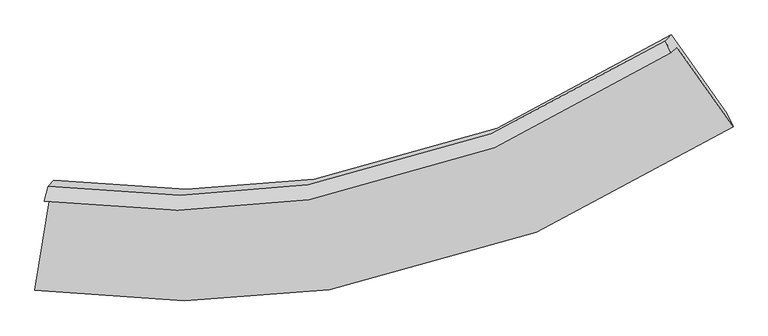
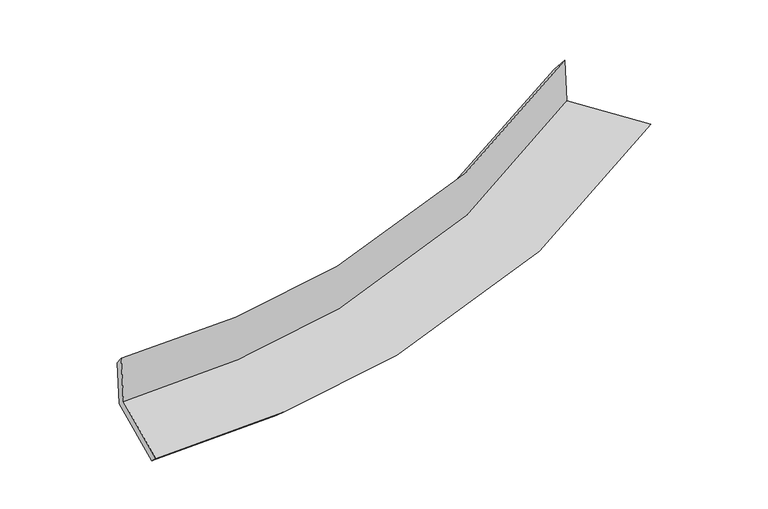
"""IFC4 building model written with IfcOpenShell, lengths in millimetres: proxy geometry."""

from ifc_helpers import new_model, si_unit, frame, origin, place, context, project, spatial, source, transform, mapped, element, save
from ifc_brep_helpers import plane_surface, spline_curve, spline_surface, advanced_brep


def generic_models_ddd9b2ce(model_context):
    return source(origin(), model_context, "Body", "AdvancedBrep", [
        advanced_brep(
        [(-2082.4068686, -1825.682412, 1654.9153136), (-2188.3144458, -2480.5651799, 1580.6653674), (2628.5563062, -1350.0096365, 2186.0265552), (2240.3746468, -802.4020069, 2199.6785799), (-2125.5836872, -1866.8840539, 2079.8987536), (2199.9314055, -840.9951224, 2597.7557979), (-2097.935399, -1761.314655, 1967.4253574), (2160.8435846, -757.012669, 2479.5228385), (-2056.9117283, -1722.1676625, 1563.6350536), (2201.5380164, -718.1798541, 2078.9731876), (-2162.4334068, -2374.6642138, 1489.6556542), (2585.1396714, -1259.3264742, 2065.4822379)],
        [
            (0, 1),
            (1, 2, spline_curve(3, [(-2188.3144458, -2480.5651799, 1580.6653674), (-1490.100594924, -2579.888398383, 1640.176055159), (-812.658868169, -2578.088271394, 1708.448334069), (817.879057561, -2322.52501033, 1899.726636524), (1746.060914888, -1947.473289318, 2033.241419972), (2628.5563062, -1350.0096365, 2186.0265552)], [4, 2, 4], [0.0, 6.3616075260719525, 15.796135990525983])),
            (2, 3),
            (3, 0, spline_curve(3, [(2240.3746468, -802.4020069, 2199.6785799), (1449.269129749, -1338.39245162, 2062.138088489), (616.644908841, -1675.930893494, 1941.968491528), (-846.923786172, -1908.80191738, 1769.853660034), (-1455.226737114, -1912.356943996, 1708.435501177), (-2082.4068686, -1825.682412, 1654.9153136)], [4, 2, 4], [0.0, 9.43452846445403, 15.796135990525983])),
            (4, 0),
            (3, 5),
            (5, 4, spline_curve(3, [(2199.9314055, -840.9951224, 2597.7557979), (1408.415021091, -1377.377638917, 2464.259416543), (575.300281894, -1715.384159622, 2348.917923439), (-889.223041757, -1949.166141673, 2186.199369915), (-1497.94666693, -1953.12259807, 2128.921848262), (-2125.5836872, -1866.8840539, 2079.8987536)], [4, 2, 4], [0.0, 8.967287011596657, 15.013838331713087])),
            (6, 4),
            (5, 7),
            (7, 6, spline_curve(3, [(2160.8435846, -757.012669, 2479.5228385), (1380.279302725, -1284.209387724, 2350.60932044), (559.510897491, -1615.949597156, 2237.798360792), (-882.00673589, -1844.12802309, 2075.880458148), (-1480.831325202, -1847.155142566, 2017.99225751), (-2097.935399, -1761.314655, 1967.4253574)], [4, 2, 4], [0.0, 8.897013611942896, 14.896180286413882])),
            (8, 6),
            (7, 9),
            (9, 8, spline_curve(3, [(2201.5380164, -718.1798541, 2078.9731876), (1421.80097884, -1244.587171975, 1941.917217658), (601.404881164, -1575.972105215, 1825.441687946), (-840.251098247, -1804.282548476, 1664.885504968), (-1439.338248652, -1807.56021772, 1609.581656741), (-2056.9117283, -1722.1676625, 1563.6350536)], [4, 2, 4], [0.0, 8.826698808177737, 14.77845291862795])),
            (10, 8),
            (9, 11),
            (11, 10, spline_curve(3, [(2585.1396714, -1259.3264742, 2065.4822379), (1713.957133762, -1835.87235039, 1914.274853778), (798.571491488, -2200.690270754, 1784.907432811), (-808.058283836, -2457.007256586, 1604.875292632), (-1475.197000892, -2463.968582796, 1542.300519324), (-2162.4334068, -2374.6642138, 1489.6556542)], [4, 2, 4], [0.0, 9.285511096325882, 15.546637711860424])),
            (1, 10),
            (11, 2),
        ],
        [
            spline_surface(3, 3, [[(-2082.4068686, -1825.682412, 1654.9153136), (-1455.226737035, -1912.356944015, 1708.435501278), (-846.923786113, -1908.801917445, 1769.85365993), (616.644908753, -1675.930893398, 1941.968491683), (1449.269129604, -1338.392451625, 2062.138088479), (2240.3746468, -802.4020069, 2199.6785799)], [(-2117.70939434, -2043.97666797, 1630.165331524), (-1466.851356313, -2134.867428809, 1685.682352586), (-835.502146811, -2131.897368764, 1749.38521801), (683.722958376, -1891.462265653, 1927.887873266), (1548.199724714, -1541.419397545, 2052.505865683), (2369.768533265, -984.937883439, 2195.127905004)], [(-2153.01192006, -2262.27092393, 1605.415349476), (-1478.475975572, -2357.377913593, 1662.92920392), (-824.080507511, -2354.992820145, 1728.916776066), (750.801007997, -2106.99363797, 1913.807254825), (1647.130319831, -1744.446343448, 2042.873642875), (2499.162419735, -1167.473759961, 2190.577230096)], [(-2188.3144458, -2480.5651799, 1580.6653674), (-1490.10059485, -2579.888398387, 1640.176055228), (-812.658868209, -2578.088271464, 1708.448334146), (817.879057619, -2322.525010225, 1899.726636409), (1746.060914941, -1947.473289367, 2033.24142008), (2628.5563062, -1350.0096365, 2186.0265552)]], [4, 4], [4, 2, 4], [0.0, 2.199328745357935], [0.0, 6.3616075260719525, 15.796135990525983]),
            spline_surface(3, 3, [[(-2125.5836872, -1866.8840539, 2079.8987536), (-1497.946666853, -1953.122598071, 2128.921848329), (-889.223041742, -1949.166141705, 2186.199369994), (575.300281871, -1715.384159576, 2348.917923322), (1408.415020998, -1377.377638801, 2464.259416413), (2199.9314055, -840.9951224, 2597.7557979)], [(-2111.191414354, -1853.150173252, 1938.237606955), (-1483.706690267, -1939.534046704, 1988.759732667), (-875.123289858, -1935.711400288, 2047.417466634), (589.081824173, -1702.233070853, 2213.268112771), (1422.033057196, -1364.382576394, 2330.218973777), (2213.412485929, -828.130750552, 2465.063391909)], [(-2096.799141446, -1839.416292648, 1796.576460245), (-1469.46671362, -1925.945495381, 1848.59761694), (-861.023537997, -1922.256658861, 1908.635563289), (602.863366452, -1689.08198212, 2077.618302234), (1435.651093406, -1351.387514031, 2196.178531114), (2226.893566371, -815.266378748, 2332.370985891)], [(-2082.4068686, -1825.682412, 1654.9153136), (-1455.226737035, -1912.356944015, 1708.435501278), (-846.923786113, -1908.801917445, 1769.85365993), (616.644908753, -1675.930893398, 1941.968491683), (1449.269129604, -1338.392451625, 2062.138088479), (2240.3746468, -802.4020069, 2199.6785799)]], [4, 4], [4, 2, 4], [0.0, 1.357952511466448], [0.0, 6.04655132011643, 15.013838331713087]),
            spline_surface(3, 3, [[(-2097.935399, -1761.314655, 1967.4253574), (-1480.831325226, -1847.155142476, 2017.992257603), (-882.006735906, -1844.128023098, 2075.880458239), (559.510897514, -1615.949597144, 2237.798360658), (1380.279302704, -1284.209387809, 2350.609320385), (2160.8435846, -757.012669, 2479.5228385)], [(-2107.151495055, -1796.504454653, 2004.916489463), (-1486.53643909, -1882.477627694, 2054.968787841), (-884.412171202, -1879.140729314, 2112.653428838), (564.774025616, -1649.094451302, 2274.838214894), (1389.657875466, -1315.265471457, 2388.492685727), (2173.872858231, -785.006820117, 2518.933824966)], [(-2116.367591145, -1831.694254247, 2042.407621537), (-1492.241552989, -1917.800112853, 2091.945318091), (-886.817606446, -1914.153435489, 2149.426399394), (570.037153769, -1682.239305418, 2311.878069086), (1399.036448236, -1346.321555153, 2426.376051071), (2186.902131869, -813.000971283, 2558.344811434)], [(-2125.5836872, -1866.8840539, 2079.8987536), (-1497.946666853, -1953.122598071, 2128.921848329), (-889.223041742, -1949.166141705, 2186.199369994), (575.300281871, -1715.384159576, 2348.917923322), (1408.415020998, -1377.377638801, 2464.259416413), (2199.9314055, -840.9951224, 2597.7557979)]], [4, 4], [4, 2, 4], [0.0, 0.4930870793239855], [0.0, 5.9991666744709855, 14.896180286413882]),
            spline_surface(3, 3, [[(-2056.9117283, -1722.1676625, 1563.6350536), (-1439.33824864, -1807.560217639, 1609.581656733), (-840.251098207, -1804.282548388, 1664.885504964), (601.404881104, -1575.972105345, 1825.441687951), (1421.800978885, -1244.587171838, 1941.917217712), (2201.5380164, -718.1798541, 2078.9731876)], [(-2070.586285184, -1735.216659984, 1698.231821514), (-1453.169274152, -1820.758525902, 1745.71852367), (-854.169644084, -1817.564373289, 1801.883822718), (587.44021993, -1589.297935943, 1962.893912182), (1407.960420176, -1257.79457719, 2078.147918582), (2187.973205818, -731.124125762, 2212.489737879)], [(-2084.260842116, -1748.265657516, 1832.828589486), (-1467.000299713, -1833.956834213, 1881.855390666), (-868.088190029, -1830.846198197, 1938.882140485), (573.475558688, -1602.623766547, 2100.346136427), (1394.119861413, -1271.001982457, 2214.378619515), (2174.408395182, -744.068397338, 2346.006288221)], [(-2097.935399, -1761.314655, 1967.4253574), (-1480.831325226, -1847.155142476, 2017.992257603), (-882.006735906, -1844.128023098, 2075.880458239), (559.510897514, -1615.949597144, 2237.798360658), (1380.279302704, -1284.209387809, 2350.609320385), (2160.8435846, -757.012669, 2479.5228385)]], [4, 4], [4, 2, 4], [0.0, 1.3635926178916975], [0.0, 5.951754110450214, 14.77845291862795]),
            spline_surface(3, 3, [[(-2162.4334068, -2374.6642138, 1489.6556542), (-1475.197000795, -2463.968582702, 1542.300519223), (-808.058283799, -2457.007256514, 1604.87529272), (798.571491432, -2200.69027086, 1784.90743268), (1713.957133851, -1835.872350482, 1914.274853786), (2585.1396714, -1259.3264742, 2065.4822379)], [(-2127.259513969, -2157.165363387, 1514.315453998), (-1463.244083413, -2245.165794368, 1564.727565057), (-818.789221939, -2239.432353807, 1624.878696782), (732.849287985, -1992.450882357, 1798.418851084), (1616.571748877, -1638.777290916, 1923.488975114), (2457.272453082, -1078.944267482, 2069.979221153)], [(-2092.085621131, -1939.666512913, 1538.975253802), (-1451.291166022, -2026.363005973, 1587.154610898), (-829.520160066, -2021.857451096, 1644.882100903), (667.127084551, -1784.211493849, 1811.930269547), (1519.186363859, -1441.682231404, 1932.703096384), (2329.405234718, -898.562060818, 2074.476204347)], [(-2056.9117283, -1722.1676625, 1563.6350536), (-1439.33824864, -1807.560217639, 1609.581656733), (-840.251098207, -1804.282548388, 1664.885504964), (601.404881104, -1575.972105345, 1825.441687951), (1421.800978885, -1244.587171838, 1941.917217712), (2201.5380164, -718.1798541, 2078.9731876)]], [4, 4], [4, 2, 4], [0.0, 2.1337171891533346], [0.0, 6.2611266155345415, 15.546637711860424]),
            spline_surface(3, 3, [[(-2188.3144458, -2480.5651799, 1580.6653674), (-1490.10059485, -2579.888398387, 1640.176055228), (-812.658868209, -2578.088271464, 1708.448334146), (817.879057619, -2322.525010225, 1899.726636409), (1746.060914941, -1947.473289367, 2033.24142008), (2628.5563062, -1350.0096365, 2186.0265552)], [(-2179.687432798, -2445.264857854, 1550.328796346), (-1485.132730163, -2541.248459813, 1607.550876572), (-811.125340081, -2537.727933152, 1673.92398701), (811.443202214, -2281.913430441, 1861.453568505), (1735.359654554, -1910.27297642, 1993.585897971), (2614.084094576, -1319.781915748, 2145.845116089)], [(-2171.060419802, -2409.964535846, 1519.992225254), (-1480.164865482, -2502.608521276, 1574.925697879), (-809.591811926, -2497.367594827, 1639.399639856), (805.007346837, -2241.301850645, 1823.180500584), (1724.658394239, -1873.072663429, 1953.930375895), (2599.611883024, -1289.554194952, 2105.663677011)], [(-2162.4334068, -2374.6642138, 1489.6556542), (-1475.197000795, -2463.968582702, 1542.300519223), (-808.058283799, -2457.007256514, 1604.87529272), (798.571491432, -2200.69027086, 1784.90743268), (1713.957133851, -1835.872350482, 1914.274853786), (2585.1396714, -1259.3264742, 2065.4822379)]], [4, 4], [4, 2, 4], [0.0, 0.5399328779891446], [0.0, 6.6512016390615125, 16.515210213840007]),
            plane_surface(frame((2336.0639385, -954.6542938, 2267.9065328), z_axis=(0.8096765042759062, 0.5705242526569222, 0.1375719286548278), x_axis=(-0.10060926287173257, -0.09600676857366999, 0.9902830285390376))),
            plane_surface(frame((-2118.9309226, -2005.2130295, 1722.69925), z_axis=(-0.9821946547887276, 0.1683042376168556, -0.0834706158157551), x_axis=(0.15865508604784895, 0.9810486144877087, 0.1112303002014149))),
        ],
        [
            (0, [[1, 2, 3, 4]]),
            (1, [[5, -4, 6, 7]]),
            (2, [[8, -7, 9, 10]]),
            (3, [[11, -10, 12, 13]]),
            (4, [[14, -13, 15, 16]]),
            (5, [[17, -16, 18, -2]]),
            (6, [[-12, -9, -6, -3, -18, -15]]),
            (7, [[-1, -5, -8, -11, -14, -17]]),
        ],
    ),
    ])


if __name__ == "__main__":
    model = new_model("IFC4")
    model_context = context("Model", 3, world=origin())
    ifc_project = project(units=[si_unit("LENGTHUNIT", "METRE", prefix="MILLI")], contexts=[model_context])
    site = spatial("IfcSite", under=ifc_project)
    building = spatial("IfcBuilding", under=site)
    placement = place(None, origin())
    generic_models_shape = generic_models_ddd9b2ce(model_context)
    element("IfcBuildingElementProxy", 1, Name="Generic Models", at=placement, inside=building, context=model_context, shape_type="MappedRepresentation", body=[
        mapped(generic_models_shape, transform((0.0, 0.0, 0.0), x_axis=(1.0, 0.0, 0.0), y_axis=(0.0, 1.0, 0.0), z_axis=(0.0, 0.0, 1.0))),
    ])
    save(model, "model.ifc")
